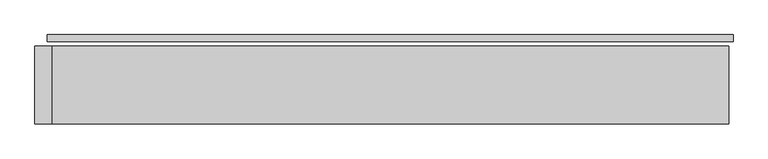
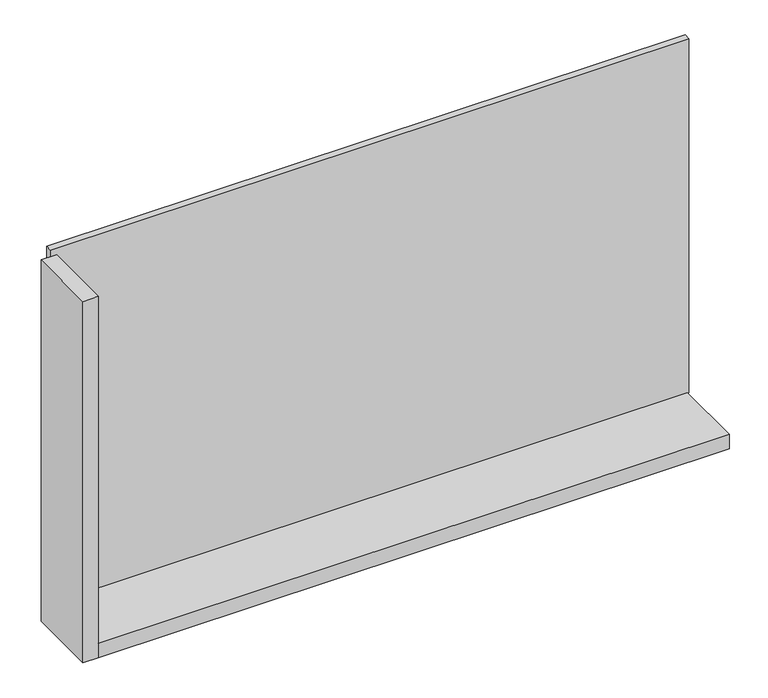
"""IFC4 building model written with IfcOpenShell, lengths in millimetres: plate geometry."""

from ifc_helpers import new_model, si_unit, frame, origin, origin_with_axes, place, context, project, spatial, polyline, outline, extrude, source, transform, mapped, element, save


def plate_9026c7c1(model_context):
    return source(origin(), model_context, "Body", "SweptSolid", [
        extrude(outline(polyline([(1235.0, 0.0), (1235.0, -25.0), (-1235.0, -25.0), (-1235.0, 0.0), (1235.0, 0.0)])), origin_with_axes(), (0.0, 0.0, 1.0), 1447.534293),
        extrude(outline(polyline([(-1220.0, -41.0), (-1220.0, -321.0), (-1280.0, -321.0), (-1280.0, -41.0), (-1220.0, -41.0)])), frame((0.0, 0.0, -45.0), z_axis=(0.0, 0.0, 1.0), x_axis=(1.0, 0.0, 0.0)), (0.0, 0.0, 1.0), 1477.534293),
        extrude(outline(polyline([(1220.0, -321.0), (-1220.0, -321.0), (-1220.0, -41.0), (1220.0, -41.0), (1220.0, -321.0)])), frame((0.0, 0.0, -45.0), z_axis=(0.0, 0.0, 1.0), x_axis=(1.0, 0.0, 0.0)), (0.0, 0.0, 1.0), 60.0),
    ])


if __name__ == "__main__":
    model = new_model("IFC4")
    model_context = context("Model", 3, world=origin())
    ifc_project = project(units=[si_unit("LENGTHUNIT", "METRE", prefix="MILLI")], contexts=[model_context])
    site = spatial("IfcSite", under=ifc_project)
    building = spatial("IfcBuilding", under=site)
    placement = place(None, origin())
    plate_shape = plate_9026c7c1(model_context)
    element("IfcPlate", 1, at=placement, inside=building, context=model_context, shape_type="MappedRepresentation", body=[
        mapped(plate_shape, transform((0.0, 0.0, 0.0), x_axis=(1.0, 0.0, 0.0), y_axis=(0.0, 1.0, 0.0), z_axis=(0.0, 0.0, 1.0))),
    ])
    save(model, "model.ifc")
